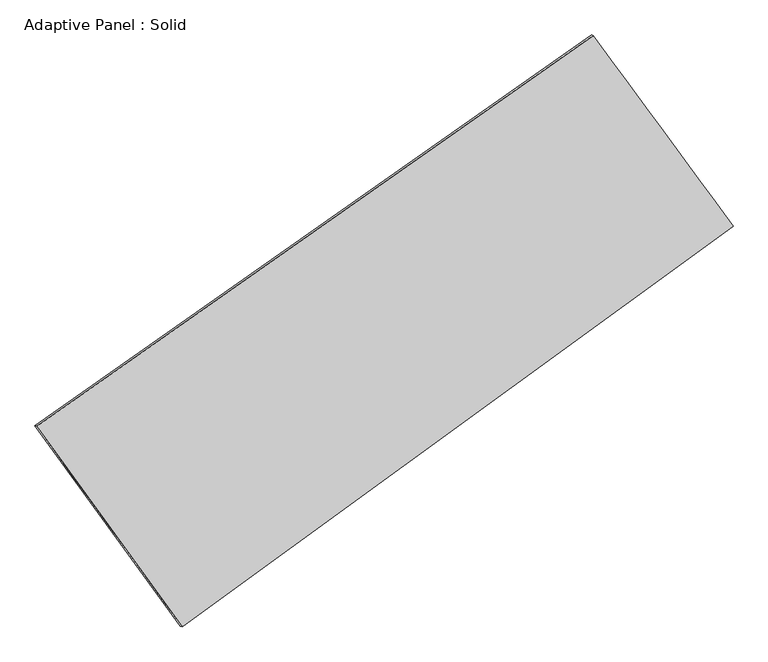
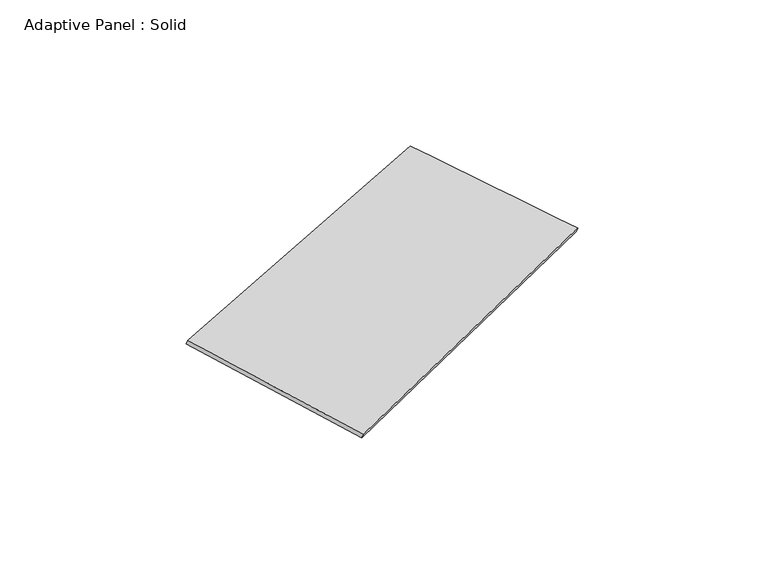
"""IFC4 building model written with IfcOpenShell, lengths in millimetres: plate geometry, Adaptive Panel : Solid."""

from ifc_helpers import new_model, si_unit, frame, origin, place, context, project, spatial, source, transform, mapped, element, save
from ifc_brep_helpers import plane_surface, spline_surface, advanced_brep


def adaptive_panel_solid_d92a4f9a(model_context):
    return source(origin(), model_context, "Body", "AdvancedBrep", [
        advanced_brep(
        [(1116.9556934, 2403.2130978, 635.0585298), (-3636.4125067, -933.6490616, 1707.899481), (-3621.7461509, -940.029155, 1755.272389), (1131.6220493, 2396.8330043, 682.4314378), (-2394.5698988, -2645.211763, 1043.771231), (-2379.903543, -2651.5918565, 1091.144139), (2310.736134, 775.3991539, 98.3932784), (2325.4024898, 769.0190604, 145.7661864)],
        [
            (0, 1),
            (1, 2),
            (2, 3),
            (3, 0),
            (1, 4),
            (4, 5),
            (5, 2),
            (4, 6),
            (6, 7),
            (7, 5),
            (6, 0),
            (3, 7),
        ],
        [
            plane_surface(frame((-1259.7284067, 734.7820181, 1171.4790054), z_axis=(-0.5121521274265655, 0.8158681740498086, 0.26843867259594834), x_axis=(-0.8048451090352711, -0.5650008741985666, 0.18165451444117306))),
            plane_surface(frame((-3015.4912028, -1789.4304123, 1375.835356), z_axis=(-0.7700370489857242, -0.6188718695401719, 0.15505016053268086), x_axis=(0.5602824783112206, -0.7722062248777946, -0.29963492913447465))),
            plane_surface(frame((-41.9168824, -934.9063045, 571.0822547), z_axis=(0.5294506991436357, -0.8035094016077714, -0.2721297460849084), x_axis=(0.7983789515277759, 0.5803966284792219, -0.16040823983624253))),
            plane_surface(frame((1713.8459137, 1589.3061259, 366.7259041), z_axis=(0.7713760608177042, 0.6170354400791502, -0.15571203705459358), x_axis=(-0.5715271301662036, 0.7793223947907822, 0.25693062188369764))),
            spline_surface(1, 1, [[(-3621.7461509, -940.029155, 1755.272389), (1131.6220493, 2396.8330043, 682.4314378)], [(-2379.903543, -2651.5918565, 1091.144139), (2325.4024898, 769.0190604, 145.7661864)]], [2, 2], [2, 2], [0.0, 1.0], [0.0, 1.0]),
            spline_surface(1, 1, [[(2310.736134, 775.3991539, 98.3932784), (1116.9556934, 2403.2130978, 635.0585298)], [(-2394.5698988, -2645.211763, 1043.771231), (-3636.4125067, -933.6490616, 1707.899481)]], [2, 2], [2, 2], [0.0, 1.0], [0.0, 1.0]),
        ],
        [
            (0, [[1, 2, 3, 4]]),
            (1, [[5, 6, 7, -2]]),
            (2, [[8, 9, 10, -6]]),
            (3, [[11, -4, 12, -9]]),
            (4, [[-3, -7, -10, -12]]),
            (5, [[-11, -8, -5, -1]]),
        ],
    ),
    ])


if __name__ == "__main__":
    model = new_model("IFC4")
    model_context = context("Model", 3, world=origin())
    ifc_project = project(units=[si_unit("LENGTHUNIT", "METRE", prefix="MILLI")], contexts=[model_context])
    site = spatial("IfcSite", under=ifc_project)
    building = spatial("IfcBuilding", under=site)
    placement = place(None, origin())
    adaptive_panel_solid_shape = adaptive_panel_solid_d92a4f9a(model_context)
    element("IfcPlate", 1, ObjectType="Adaptive Panel : Solid", at=placement, inside=building, context=model_context, shape_type="MappedRepresentation", body=[
        mapped(adaptive_panel_solid_shape, transform((0.0, 0.0, 0.0), x_axis=(1.0, 0.0, 0.0), y_axis=(0.0, 1.0, 0.0), z_axis=(0.0, 0.0, 1.0))),
    ])
    save(model, "model.ifc")
